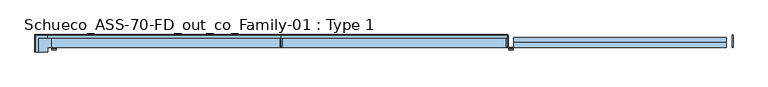
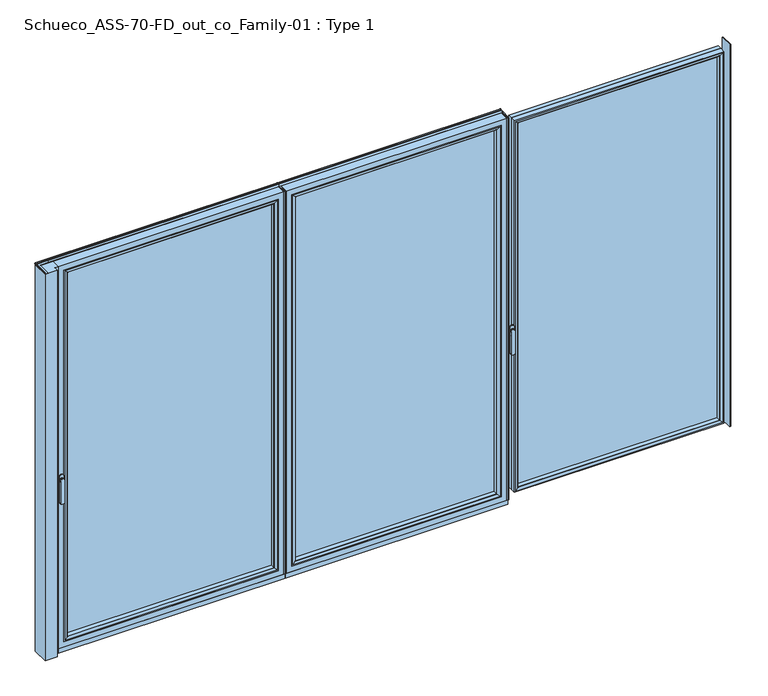
"""IFC4 building model written with IfcOpenShell, lengths in millimetres: window geometry, Schueco_ASS-70-FD_out_co_Family-01 : Type 1."""

from ifc_helpers import new_model, si_unit, point, frame, frame_2d, origin, place, context, project, spatial, polyline, circle_curve, ellipse_curve, trimmed, segment, composite_curve, outline, extrude, source, transform, mapped, element, save
from ifc_brep_helpers import plane_surface, cylinder_surface, extruded_surface, advanced_brep


def schueco_ass_70_fd_out_co_family_01_type_1_5ff1152d(model_context):
    return source(origin(), model_context, "Body", "SolidModel", [
        extrude(outline(polyline([(-618.7333333, 0.0), (-612.7333333, 0.0), (-612.7333333, -70.0), (-618.7333333, -70.0), (-618.7333333, 0.0)])), frame((0.0, 0.0, 36.0), z_axis=(0.0, 0.0, 1.0), x_axis=(1.0, 0.0, 0.0)), (0.0, 0.0, 1.0), 2301.0),
        extrude(outline(polyline([(650.0333333, 0.0), (650.0333333, -70.0), (644.0333333, -70.0), (644.0333333, 0.0), (650.0333333, 0.0)])), frame((0.0, 0.0, 36.0), z_axis=(0.0, 0.0, 1.0), x_axis=(1.0, 0.0, 0.0)), (0.0, 0.0, 1.0), 2301.0),
        extrude(outline(polyline([(-580.7333333, -13.999939), (612.0333333, -13.999939), (612.0333333, -37.9928974), (-580.7333333, -37.9928974), (-580.7333333, -13.999939)])), frame((0.0, 0.0, 68.0), z_axis=(0.0, 0.0, 1.0), x_axis=(1.0, 0.0, 0.0)), (0.0, 0.0, 1.0), 2237.0),
        advanced_brep(
        [(590.0337606, -64.5552044, 2283.0004272), (590.0337606, -37.9928974, 2283.0004272), (590.0337606, -37.9928974, 89.9995728), (590.0337606, -64.5552044, 89.9995728), (612.0333333, -37.9928974, 2305.0), (612.0333333, -37.9928974, 68.0), (-580.7333333, -37.9928974, 68.0), (-580.7333333, -37.9928974, 2305.0), (-558.7337606, -37.9928974, 2283.0004272), (-558.7337606, -37.9928974, 89.9995728), (-558.7337606, -64.5552044, 89.9995728), (590.743304, -65.8045072, 2283.7099707), (590.743304, -65.8045072, 89.2900293), (-559.443304, -65.8045072, 89.2900293), (606.0333944, -70.0, 2299.000061), (606.0333944, -70.0, 73.999939), (-574.7333944, -70.0, 73.999939), (-580.7333333, -70.0, 2305.0), (-580.7333333, -70.0, 68.0), (612.0333333, -70.0, 68.0), (612.0333333, -70.0, 2305.0), (-574.7333944, -70.0, 2299.000061), (-558.7337606, -64.5552044, 2283.0004272), (-559.443304, -65.8045072, 2283.7099707)],
        [
            (0, 1),
            (1, 2),
            (2, 3),
            (3, 0),
            (4, 5),
            (5, 6),
            (6, 7),
            (7, 4),
            (8, 9),
            (9, 2),
            (1, 8),
            (9, 10),
            (10, 3),
            (11, 0, ellipse_curve(frame((591.4883645, -64.5552044, 2284.4550312), z_axis=(0.7071067811865475, 0.0, -0.7071067811865475), x_axis=(0.7071067811865474, 0.0, 0.7071067811865476)), 2.0571207, 1.454604)),
            (3, 12, ellipse_curve(frame((591.4883645, -64.5552044, 88.5449688), z_axis=(0.7071067811865475, 0.0, 0.7071067811865475), x_axis=(-0.7071067811865474, 0.0, 0.7071067811865476)), 2.0571207, 1.454604)),
            (12, 11),
            (10, 13, ellipse_curve(frame((-560.1883645, -64.5552044, 88.5449688), z_axis=(0.7071067811865475, 0.0, -0.7071067811865475), x_axis=(0.7071067811865476, 0.0, 0.7071067811865474)), 2.0571207, 1.454604)),
            (13, 12),
            (14, 11, ellipse_curve(frame((605.9694588, -40.2735922, 2298.9361254), z_axis=(0.7071067811865475, 0.0, -0.7071067811865475), x_axis=(0.7071067811865474, 0.0, 0.7071067811865476)), 42.0395863, 29.7264765)),
            (12, 15, ellipse_curve(frame((605.9694588, -40.2735922, 74.0638746), z_axis=(0.7071067811865475, 0.0, 0.7071067811865475), x_axis=(-0.7071067811865474, 0.0, 0.7071067811865476)), 42.0395863, 29.7264765)),
            (15, 14),
            (13, 16, ellipse_curve(frame((-574.6694588, -40.2735922, 74.0638746), z_axis=(0.7071067811865475, 0.0, -0.7071067811865475), x_axis=(0.7071067811865476, 0.0, 0.7071067811865474)), 42.0395863, 29.7264765)),
            (16, 15),
            (17, 18),
            (18, 19),
            (19, 20),
            (20, 17),
            (16, 21),
            (21, 14),
            (4, 20),
            (19, 5),
            (18, 6),
            (8, 22),
            (22, 10),
            (22, 23, ellipse_curve(frame((-560.1883645, -64.5552044, 2284.4550312), z_axis=(-0.7071067811865475, 0.0, -0.7071067811865475), x_axis=(0.7071067811865474, 0.0, -0.7071067811865476)), 2.0571207, 1.454604)),
            (23, 13),
            (23, 21, ellipse_curve(frame((-574.6694588, -40.2735922, 2298.9361254), z_axis=(-0.7071067811865475, 0.0, -0.7071067811865475), x_axis=(0.7071067811865474, 0.0, -0.7071067811865476)), 42.0395863, 29.7264765)),
            (17, 7),
            (0, 22),
            (11, 23),
        ],
        [
            plane_surface(frame((590.0337606, -37.9928974, 2283.0004272), z_axis=(-1.0, 0.0, 0.0), x_axis=(0.0, 0.0, -1.0))),
            plane_surface(frame((-580.7333333, -37.9928974, 68.0), z_axis=(0.0, 1.0, 0.0), x_axis=(0.0, 0.0, 1.0))),
            plane_surface(frame((590.0337606, -37.9928974, 89.9995728), z_axis=(0.0, 0.0, 1.0), x_axis=(-1.0, 0.0, 0.0))),
            cylinder_surface(frame((591.4883645, -64.5552044, 2283.0004272), z_axis=(0.0, 0.0, 1.0), x_axis=(1.0, 0.0, 0.0)), 1.454604),
            cylinder_surface(frame((590.0337606, -64.5552044, 88.5449688), z_axis=(1.0, 0.0, 0.0), x_axis=(0.0, 0.0, -1.0)), 1.454604),
            cylinder_surface(frame((605.9694588, -40.2735922, 2283.0004272), z_axis=(0.0, 0.0, 1.0), x_axis=(1.0, 0.0, 0.0)), 29.7264765),
            cylinder_surface(frame((590.0337606, -40.2735922, 74.0638746), z_axis=(1.0, 0.0, 0.0), x_axis=(0.0, 0.0, -1.0)), 29.7264765),
            plane_surface(frame((-574.7333944, -70.0, 73.999939), z_axis=(0.0, -1.0, 0.0), x_axis=(0.0, 0.0, 1.0))),
            plane_surface(frame((612.0333333, -70.0, 2305.0), z_axis=(1.0, 0.0, 0.0), x_axis=(0.0, 0.0, -1.0))),
            plane_surface(frame((612.0333333, -70.0, 68.0), z_axis=(0.0, 0.0, -1.0), x_axis=(-1.0, 0.0, 0.0))),
            plane_surface(frame((-558.7337606, -37.9928974, 89.9995728), z_axis=(1.0, 0.0, 0.0), x_axis=(0.0, 0.0, 1.0))),
            cylinder_surface(frame((-560.1883645, -64.5552044, 89.9995728), z_axis=(0.0, 0.0, -1.0), x_axis=(-1.0, 0.0, 0.0)), 1.454604),
            cylinder_surface(frame((-574.6694588, -40.2735922, 89.9995728), z_axis=(0.0, 0.0, -1.0), x_axis=(-1.0, 0.0, 0.0)), 29.7264765),
            plane_surface(frame((-580.7333333, -70.0, 68.0), z_axis=(-1.0, 0.0, 0.0), x_axis=(0.0, 0.0, 1.0))),
            plane_surface(frame((-558.7337606, -37.9928974, 2283.0004272), z_axis=(0.0, 0.0, -1.0), x_axis=(1.0, 0.0, 0.0))),
            cylinder_surface(frame((-558.7337606, -64.5552044, 2284.4550312), z_axis=(-1.0, 0.0, 0.0), x_axis=(0.0, 0.0, 1.0)), 1.454604),
            cylinder_surface(frame((-558.7337606, -40.2735922, 2298.9361254), z_axis=(-1.0, 0.0, 0.0), x_axis=(0.0, 0.0, 1.0)), 29.7264765),
            plane_surface(frame((-580.7333333, -70.0, 2305.0), z_axis=(0.0, 0.0, 1.0), x_axis=(1.0, 0.0, 0.0))),
        ],
        [
            (0, [[1, 2, 3, 4]]),
            (1, [[5, 6, 7, 8], [9, 10, -2, 11]]),
            (2, [[-3, -10, 12, 13]]),
            (3, [[14, -4, 15, 16]]),
            (4, [[-15, -13, 17, 18]]),
            (5, [[19, -16, 20, 21]]),
            (6, [[-20, -18, 22, 23]]),
            (7, [[24, 25, 26, 27], [-21, -23, 28, 29]]),
            (8, [[30, -26, 31, -5]]),
            (9, [[-31, -25, 32, -6]]),
            (10, [[-12, -9, 33, 34]]),
            (11, [[-17, -34, 35, 36]]),
            (12, [[-22, -36, 37, -28]]),
            (13, [[-32, -24, 38, -7]]),
            (14, [[-33, -11, -1, 39]]),
            (15, [[-35, -39, -14, 40]]),
            (16, [[-37, -40, -19, -29]]),
            (17, [[-38, -27, -30, -8]]),
        ],
    ),
        advanced_brep(
        [(-612.7333333, -70.0, 2337.0), (-612.7333333, 0.0, 2337.0), (-612.7333333, 0.0, 36.0), (-612.7333333, -70.0, 36.0), (644.0333333, 0.0, 36.0), (644.0333333, -70.0, 36.0), (644.0333333, 0.0, 2337.0), (594.5341433, 0.0, 85.4991901), (594.5341433, 0.0, 2287.5008099), (-563.2341433, 0.0, 2287.5008099), (-563.2341433, 0.0, 85.4991901), (644.0333333, -70.0, 2337.0), (-580.7333333, -70.0, 68.0), (-580.7333333, -70.0, 2305.0), (612.0333333, -70.0, 2305.0), (612.0333333, -70.0, 68.0), (-580.7333333, -13.999939, 2305.0), (-580.7333333, -13.999939, 68.0), (612.0333333, -13.999939, 68.0), (612.0333333, -13.999939, 2305.0), (-558.7337606, -13.999939, 89.9995728), (-558.7337606, -13.999939, 2283.0004272), (590.0337606, -13.999939, 2283.0004272), (590.0337606, -13.999939, 89.9995728), (-558.7337606, -4.5004435, 2283.0004272), (-558.7337606, -4.5004435, 89.9995728), (590.0337606, -4.5004435, 89.9995728), (590.0337606, -4.5004435, 2283.0004272)],
        [
            (0, 1),
            (1, 2),
            (2, 3),
            (3, 0),
            (2, 4),
            (4, 5),
            (5, 3),
            (1, 6),
            (6, 4),
            (7, 8),
            (8, 9),
            (9, 10),
            (10, 7),
            (6, 11),
            (11, 5),
            (11, 0),
            (12, 13),
            (13, 14),
            (14, 15),
            (15, 12),
            (16, 13),
            (12, 17),
            (17, 16),
            (15, 18),
            (18, 17),
            (14, 19),
            (19, 18),
            (19, 16),
            (20, 21),
            (21, 22),
            (22, 23),
            (23, 20),
            (24, 21),
            (20, 25),
            (25, 24),
            (23, 26),
            (26, 25),
            (22, 27),
            (27, 26),
            (10, 25, ellipse_curve(frame((-563.2341433, -4.5004435, 85.4991901), z_axis=(0.7071067811865475, 0.0, -0.7071067811865475), x_axis=(-0.7071067811865476, 0.0, -0.7071067811865474)), 6.3645023, 4.5003827)),
            (26, 7, ellipse_curve(frame((594.5341433, -4.5004435, 85.4991901), z_axis=(-0.7071067811865475, 0.0, -0.7071067811865475), x_axis=(-0.7071067811865476, 0.0, 0.7071067811865474)), 6.3645023, 4.5003827)),
            (9, 24, ellipse_curve(frame((-563.2341433, -4.5004435, 2287.5008099), z_axis=(-0.7071067811865475, 0.0, -0.7071067811865475), x_axis=(-0.7071067811865474, 0.0, 0.7071067811865476)), 6.3645023, 4.5003827)),
            (27, 8, ellipse_curve(frame((594.5341433, -4.5004435, 2287.5008099), z_axis=(0.7071067811865475, 0.0, -0.7071067811865475), x_axis=(-0.7071067811865474, 0.0, -0.7071067811865476)), 6.3645023, 4.5003827)),
            (24, 27),
        ],
        [
            plane_surface(frame((-612.7333333, 0.0, 2337.0), z_axis=(-1.0, 0.0, 0.0), x_axis=(0.0, 0.0, -1.0))),
            plane_surface(frame((-612.7333333, 0.0, 36.0), z_axis=(0.0, 0.0, -1.0), x_axis=(1.0, 0.0, 0.0))),
            plane_surface(frame((-563.2341433, 0.0, 2287.5008099), z_axis=(0.0, 1.0, 0.0), x_axis=(0.0, 0.0, -1.0))),
            plane_surface(frame((644.0333333, 0.0, 36.0), z_axis=(1.0, 0.0, 0.0), x_axis=(0.0, 0.0, 1.0))),
            plane_surface(frame((-612.7333333, -70.0, 2337.0), z_axis=(0.0, -1.0, 0.0), x_axis=(0.0, 0.0, -1.0))),
            plane_surface(frame((-580.7333333, -70.0, 2305.0), z_axis=(1.0, 0.0, 0.0), x_axis=(0.0, 0.0, -1.0))),
            plane_surface(frame((-580.7333333, -70.0, 68.0), z_axis=(0.0, 0.0, 1.0), x_axis=(1.0, 0.0, 0.0))),
            plane_surface(frame((612.0333333, -70.0, 68.0), z_axis=(-1.0, 0.0, 0.0), x_axis=(0.0, 0.0, 1.0))),
            plane_surface(frame((-580.7333333, -13.999939, 2305.0), z_axis=(0.0, -1.0, 0.0), x_axis=(0.0, 0.0, -1.0))),
            plane_surface(frame((-558.7337606, -13.999939, 2283.0004272), z_axis=(1.0, 0.0, 0.0), x_axis=(0.0, 0.0, -1.0))),
            plane_surface(frame((-558.7337606, -13.999939, 89.9995728), z_axis=(0.0, 0.0, 1.0), x_axis=(1.0, 0.0, 0.0))),
            plane_surface(frame((590.0337606, -13.999939, 89.9995728), z_axis=(-1.0, 0.0, 0.0), x_axis=(0.0, 0.0, 1.0))),
            cylinder_surface(frame((-618.7333333, -4.5004435, 85.4991901), z_axis=(-1.0, 0.0, 0.0), x_axis=(0.0, -1.0, 0.0)), 4.5003827),
            cylinder_surface(frame((-563.2341433, -4.5004435, 2343.0), z_axis=(0.0, 0.0, 1.0), x_axis=(0.0, -1.0, 0.0)), 4.5003827),
            cylinder_surface(frame((594.5341433, -4.5004435, 30.0), z_axis=(0.0, 0.0, -1.0), x_axis=(0.0, -1.0, 0.0)), 4.5003827),
            plane_surface(frame((644.0333333, 0.0, 2337.0), z_axis=(0.0, 0.0, 1.0), x_axis=(-1.0, 0.0, 0.0))),
            plane_surface(frame((612.0333333, -70.0, 2305.0), z_axis=(0.0, 0.0, -1.0), x_axis=(-1.0, 0.0, 0.0))),
            plane_surface(frame((590.0337606, -13.999939, 2283.0004272), z_axis=(0.0, 0.0, -1.0), x_axis=(-1.0, 0.0, 0.0))),
            cylinder_surface(frame((650.0333333, -4.5004435, 2287.5008099), z_axis=(1.0, 0.0, 0.0), x_axis=(0.0, -1.0, 0.0)), 4.5003827),
        ],
        [
            (0, [[1, 2, 3, 4]]),
            (1, [[-3, 5, 6, 7]]),
            (2, [[-2, 8, 9, -5], [10, 11, 12, 13]]),
            (3, [[-6, -9, 14, 15]]),
            (4, [[-15, 16, -4, -7], [17, 18, 19, 20]]),
            (5, [[21, -17, 22, 23]]),
            (6, [[-22, -20, 24, 25]]),
            (7, [[-24, -19, 26, 27]]),
            (8, [[-27, 28, -23, -25], [29, 30, 31, 32]]),
            (9, [[33, -29, 34, 35]]),
            (10, [[-34, -32, 36, 37]]),
            (11, [[-36, -31, 38, 39]]),
            (12, [[40, -37, 41, -13]]),
            (13, [[42, -35, -40, -12]]),
            (14, [[-41, -39, 43, -10]]),
            (15, [[-14, -8, -1, -16]]),
            (16, [[-26, -18, -21, -28]]),
            (17, [[-38, -30, -33, 44]]),
            (18, [[-43, -44, -42, -11]]),
        ],
    ),
        extrude(outline(polyline([(-618.7333333, -7.6000076), (-618.7333333, 0.0), (650.0333333, 0.0), (650.0333333, -7.6000076), (-618.7333333, -7.6000076)])), frame((0.0, 0.0, 10.0), z_axis=(0.0, 0.0, 1.0), x_axis=(1.0, 0.0, 0.0)), (0.0, 0.0, 1.0), 26.0),
        extrude(outline(polyline([(-618.7333333, -70.0), (-618.7333333, -62.2757497), (650.0333333, -62.2757497), (650.0333333, -70.0), (-618.7333333, -70.0)])), frame((0.0, 0.0, 10.0), z_axis=(0.0, 0.0, 1.0), x_axis=(1.0, 0.0, 0.0)), (0.0, 0.0, 1.0), 26.0),
        extrude(outline(composite_curve([segment(polyline([(-17.955674, 2339.1400778), (-1.3636404, 2339.1400778), (0.0, 2342.963961), (0.0, 2348.6420698), (0.8937897, 2348.6420698), (1.8738669, 2344.9939222)]), True, "CONTINUOUS"), segment(trimmed(circle_curve(frame_2d((-0.0576456, 2344.4750201)), 2.0), [point((1.8738669, 2344.9939222))], [point((1.8735116, 2343.9547971))], False, "CARTESIAN"), True, "CONTINUOUS"), segment(polyline([(1.8735116, 2343.9547971), (0.0, 2337.0), (-17.955674, 2337.0), (-17.955674, 2339.1400778)]), True, "CONTINUOUS")], self_intersect=False)), frame((-618.7333333, 0.0, 0.0), z_axis=(1.0, 0.0, 0.0), x_axis=(0.0, 1.0, 0.0)), (0.0, 0.0, 1.0), 1268.7666667),
        advanced_brep(
        [(-1882.0113692, -73.5, 1050.0), (-1905.9886308, -73.5, 1050.0), (-1882.0113692, -76.8965533, 1050.0), (-1905.9886308, -76.8965533, 1050.0), (-1882.0113692, -84.5, 1050.0), (-1905.9886308, -84.5, 1050.0), (-1905.9886308, -84.5, 918.6867153), (-1882.0113692, -84.5, 918.6867153), (-1882.0113692, -76.8965533, 918.6867153), (-1905.9886308, -76.8965533, 918.6867153)],
        [
            (0, 1, circle_curve(frame((-1894.0, -73.5, 1050.0), z_axis=(0.0, 1.0, 0.0), x_axis=(-1.0, 0.0, 0.0)), 11.9886308)),
            (1, 0, circle_curve(frame((-1894.0, -73.5, 1050.0), z_axis=(0.0, 1.0, 0.0), x_axis=(-1.0, 0.0, 0.0)), 11.9886308)),
            (0, 2),
            (2, 3, circle_curve(frame((-1894.0, -76.8965533, 1050.0), z_axis=(0.0, 1.0, 0.0), x_axis=(-1.0, 0.0, 0.0)), 11.9886308)),
            (3, 1),
            (3, 2, circle_curve(frame((-1894.0, -76.8965533, 1050.0), z_axis=(0.0, 1.0, 0.0), x_axis=(-1.0, 0.0, 0.0)), 11.9886308)),
            (4, 5, circle_curve(frame((-1894.0, -84.5, 1050.0), z_axis=(0.0, -1.0, 0.0), x_axis=(-1.0, 0.0, 0.0)), 11.9886308)),
            (5, 6),
            (6, 7, ellipse_curve(frame((-1894.0, -84.5, 918.6867153), z_axis=(0.0, -1.0, 0.0), x_axis=(1.0, 0.0, 0.0)), 11.9886308, 7.9050795)),
            (7, 4),
            (2, 8),
            (8, 9, ellipse_curve(frame((-1894.0, -76.8965533, 918.6867153), z_axis=(0.0, 1.0, 0.0), x_axis=(1.0, 0.0, 0.0)), 11.9886308, 7.9050795)),
            (9, 3),
            (7, 8),
            (2, 4),
            (6, 9),
            (5, 3),
        ],
        [
            plane_surface(frame((-1905.9886308, -73.5, 1050.0), z_axis=(0.0, 1.0, 0.0), x_axis=(0.0, 0.0, -1.0))),
            cylinder_surface(frame((-1894.0, -73.5, 1050.0), z_axis=(0.0, -1.0, 0.0), x_axis=(-1.0, 0.0, 0.0)), 11.9886308),
            plane_surface(frame((-1882.0113692, -84.5, 928.3382074), z_axis=(0.0, -1.0, 0.0), x_axis=(0.0, 0.0, -1.0))),
            plane_surface(frame((-1882.0113692, -76.8965533, 928.3382074), z_axis=(0.0, 1.0, 0.0), x_axis=(0.0, 0.0, 1.0))),
            plane_surface(frame((-1882.0113692, -84.5, 1050.0), z_axis=(1.0, 0.0, 0.0), x_axis=(0.0, 1.0, 0.0))),
            extruded_surface(trimmed(ellipse_curve(frame((-1894.0, -76.8965533, 918.6867153), z_axis=(0.0, 1.0, 0.0), x_axis=(1.0, 0.0, 0.0)), 11.9886308, 7.9050795), [point((-1882.0113692, -76.8965533, 918.6867153))], [point((-1905.9886308, -76.8965533, 918.6867153))], True, "CARTESIAN"), (0.0, 7.603446699999992, 0.0), 7.603446699999992),
            plane_surface(frame((-1905.9886308, -84.5, 918.6867153), z_axis=(-1.0, 0.0, 0.0), x_axis=(0.0, 1.0, 0.0))),
            cylinder_surface(frame((-1894.0, -76.8965533, 1050.0), z_axis=(0.0, -1.0, 0.0), x_axis=(-1.0, 0.0, 0.0)), 11.9886308),
        ],
        [
            (0, [[1, 2]]),
            (1, [[3, 4, 5, -1]]),
            (1, [[-5, 6, -3, -2]]),
            (2, [[7, 8, 9, 10]]),
            (3, [[-4, 11, 12, 13]]),
            (4, [[14, -11, 15, -10]]),
            (5, [[16, -12, -14, -9]]),
            (6, [[17, -13, -16, -8]]),
            (7, [[-15, -6, -17, -7]]),
        ],
    ),
        extrude(outline(composite_curve([segment(trimmed(circle_curve(frame_2d((1068.75, -1894.0)), 14.0), [point((1068.75, -1880.0))], [point((1068.75, -1908.0))], False, "CARTESIAN"), True, "CONTINUOUS"), segment(polyline([(1068.75, -1908.0), (1031.25, -1908.0)]), True, "CONTINUOUS"), segment(trimmed(circle_curve(frame_2d((1031.25, -1894.0)), 14.0), [point((1031.25, -1908.0))], [point((1031.25, -1880.0))], False, "CARTESIAN"), True, "CONTINUOUS"), segment(polyline([(1031.25, -1880.0), (1068.75, -1880.0)]), True, "CONTINUOUS")], self_intersect=False)), frame((0.0, -73.5, 0.0), z_axis=(0.0, 1.0, 0.0), x_axis=(0.0, 0.0, 1.0)), (0.0, 0.0, 1.0), 3.5),
        extrude(outline(polyline([(-2000.0003662, 0.0), (-1910.0003662, 0.0), (-1910.0003662, -70.0), (-1930.0003662, -70.0), (-1930.0003662, -95.0), (-2000.0003662, -95.0), (-2000.0003662, 0.0)])), frame((0.0, 0.0, 10.0), z_axis=(0.0, 0.0, 1.0), x_axis=(1.0, 0.0, 0.0)), (0.0, 0.0, 1.0), 2327.0),
        extrude(outline(polyline([(-618.7333333, 0.0), (-618.7333333, -70.0), (-624.7333333, -70.0), (-624.7333333, 0.0), (-618.7333333, 0.0)])), frame((0.0, 0.0, 36.0), z_axis=(0.0, 0.0, 1.0), x_axis=(1.0, 0.0, 0.0)), (0.0, 0.0, 1.0), 2301.0),
        extrude(outline(polyline([(-656.7333333, -13.999939), (-656.7333333, -37.9928974), (-1878.0, -37.9928974), (-1878.0, -13.999939), (-656.7333333, -13.999939)])), frame((0.0, 0.0, 68.0), z_axis=(0.0, 0.0, 1.0), x_axis=(1.0, 0.0, 0.0)), (0.0, 0.0, 1.0), 2237.0),
        advanced_brep(
        [(-1856.0004272, -64.5552044, 2283.0004272), (-1856.0004272, -64.5552044, 89.9995728), (-1856.0004272, -37.9928974, 89.9995728), (-1856.0004272, -37.9928974, 2283.0004272), (-1878.0, -37.9928974, 2305.0), (-656.7333333, -37.9928974, 2305.0), (-656.7333333, -37.9928974, 68.0), (-1878.0, -37.9928974, 68.0), (-678.7329061, -37.9928974, 2283.0004272), (-678.7329061, -37.9928974, 89.9995728), (-678.7329061, -64.5552044, 89.9995728), (-1856.7099707, -65.8045072, 2283.7099707), (-1856.7099707, -65.8045072, 89.2900293), (-678.0233627, -65.8045072, 89.2900293), (-1872.000061, -70.0, 2299.000061), (-1872.000061, -70.0, 73.999939), (-662.7332723, -70.0, 73.999939), (-656.7333333, -70.0, 2305.0), (-1878.0, -70.0, 2305.0), (-1878.0, -70.0, 68.0), (-656.7333333, -70.0, 68.0), (-662.7332723, -70.0, 2299.000061), (-678.7329061, -64.5552044, 2283.0004272), (-678.0233627, -65.8045072, 2283.7099707)],
        [
            (0, 1),
            (1, 2),
            (2, 3),
            (3, 0),
            (4, 5),
            (5, 6),
            (6, 7),
            (7, 4),
            (8, 3),
            (2, 9),
            (9, 8),
            (1, 10),
            (10, 9),
            (11, 12),
            (12, 1, ellipse_curve(frame((-1857.4550312, -64.5552044, 88.5449688), z_axis=(-0.7071067811865475, 0.0, 0.7071067811865475), x_axis=(0.7071067811865474, 0.0, 0.7071067811865476)), 2.0571207, 1.454604)),
            (0, 11, ellipse_curve(frame((-1857.4550312, -64.5552044, 2284.4550312), z_axis=(-0.7071067811865475, 0.0, -0.7071067811865475), x_axis=(-0.7071067811865474, 0.0, 0.7071067811865476)), 2.0571207, 1.454604)),
            (12, 13),
            (13, 10, ellipse_curve(frame((-677.2783021, -64.5552044, 88.5449688), z_axis=(-0.7071067811865475, 0.0, -0.7071067811865475), x_axis=(-0.7071067811865476, 0.0, 0.7071067811865474)), 2.0571207, 1.454604)),
            (14, 15),
            (15, 12, ellipse_curve(frame((-1871.9361254, -40.2735922, 74.0638746), z_axis=(-0.7071067811865475, 0.0, 0.7071067811865475), x_axis=(0.7071067811865474, 0.0, 0.7071067811865476)), 42.0395863, 29.7264765)),
            (11, 14, ellipse_curve(frame((-1871.9361254, -40.2735922, 2298.9361254), z_axis=(-0.7071067811865475, 0.0, -0.7071067811865475), x_axis=(-0.7071067811865474, 0.0, 0.7071067811865476)), 42.0395863, 29.7264765)),
            (15, 16),
            (16, 13, ellipse_curve(frame((-662.7972079, -40.2735922, 74.0638746), z_axis=(-0.7071067811865475, 0.0, -0.7071067811865475), x_axis=(-0.7071067811865476, 0.0, 0.7071067811865474)), 42.0395863, 29.7264765)),
            (17, 18),
            (18, 19),
            (19, 20),
            (20, 17),
            (14, 21),
            (21, 16),
            (7, 19),
            (18, 4),
            (6, 20),
            (10, 22),
            (22, 8),
            (13, 23),
            (23, 22, ellipse_curve(frame((-677.2783021, -64.5552044, 2284.4550312), z_axis=(0.7071067811865475, 0.0, -0.7071067811865475), x_axis=(-0.7071067811865474, 0.0, -0.7071067811865476)), 2.0571207, 1.454604)),
            (21, 23, ellipse_curve(frame((-662.7972079, -40.2735922, 2298.9361254), z_axis=(0.7071067811865475, 0.0, -0.7071067811865475), x_axis=(-0.7071067811865474, 0.0, -0.7071067811865476)), 42.0395863, 29.7264765)),
            (5, 17),
            (22, 0),
            (23, 11),
        ],
        [
            plane_surface(frame((-1856.0004272, -37.9928974, 2283.0004272), z_axis=(1.0, 0.0, 0.0), x_axis=(0.0, 0.0, -1.0))),
            plane_surface(frame((-656.7333333, -37.9928974, 68.0), z_axis=(0.0, 1.0, 0.0), x_axis=(0.0, 0.0, 1.0))),
            plane_surface(frame((-1856.0004272, -37.9928974, 89.9995728), z_axis=(0.0, 0.0, 1.0), x_axis=(1.0, 0.0, 0.0))),
            cylinder_surface(frame((-1857.4550312, -64.5552044, 2283.0004272), z_axis=(0.0, 0.0, 1.0), x_axis=(-1.0, 0.0, 0.0)), 1.454604),
            cylinder_surface(frame((-1856.0004272, -64.5552044, 88.5449688), z_axis=(-1.0, 0.0, 0.0), x_axis=(0.0, 0.0, -1.0)), 1.454604),
            cylinder_surface(frame((-1871.9361254, -40.2735922, 2283.0004272), z_axis=(0.0, 0.0, 1.0), x_axis=(-1.0, 0.0, 0.0)), 29.7264765),
            cylinder_surface(frame((-1856.0004272, -40.2735922, 74.0638746), z_axis=(-1.0, 0.0, 0.0), x_axis=(0.0, 0.0, -1.0)), 29.7264765),
            plane_surface(frame((-662.7332723, -70.0, 73.999939), z_axis=(0.0, -1.0, 0.0), x_axis=(0.0, 0.0, 1.0))),
            plane_surface(frame((-1878.0, -70.0, 2305.0), z_axis=(-1.0, 0.0, 0.0), x_axis=(0.0, 0.0, -1.0))),
            plane_surface(frame((-1878.0, -70.0, 68.0), z_axis=(0.0, 0.0, -1.0), x_axis=(1.0, 0.0, 0.0))),
            plane_surface(frame((-678.7329061, -37.9928974, 89.9995728), z_axis=(-1.0, 0.0, 0.0), x_axis=(0.0, 0.0, 1.0))),
            cylinder_surface(frame((-677.2783021, -64.5552044, 89.9995728), z_axis=(0.0, 0.0, -1.0), x_axis=(1.0, 0.0, 0.0)), 1.454604),
            cylinder_surface(frame((-662.7972079, -40.2735922, 89.9995728), z_axis=(0.0, 0.0, -1.0), x_axis=(1.0, 0.0, 0.0)), 29.7264765),
            plane_surface(frame((-656.7333333, -70.0, 68.0), z_axis=(1.0, 0.0, 0.0), x_axis=(0.0, 0.0, 1.0))),
            plane_surface(frame((-678.7329061, -37.9928974, 2283.0004272), z_axis=(0.0, 0.0, -1.0), x_axis=(-1.0, 0.0, 0.0))),
            cylinder_surface(frame((-678.7329061, -64.5552044, 2284.4550312), z_axis=(1.0, 0.0, 0.0), x_axis=(0.0, 0.0, 1.0)), 1.454604),
            cylinder_surface(frame((-678.7329061, -40.2735922, 2298.9361254), z_axis=(1.0, 0.0, 0.0), x_axis=(0.0, 0.0, 1.0)), 29.7264765),
            plane_surface(frame((-656.7333333, -70.0, 2305.0), z_axis=(0.0, 0.0, 1.0), x_axis=(-1.0, 0.0, 0.0))),
        ],
        [
            (0, [[1, 2, 3, 4]]),
            (1, [[5, 6, 7, 8], [9, -3, 10, 11]]),
            (2, [[12, 13, -10, -2]]),
            (3, [[14, 15, -1, 16]]),
            (4, [[17, 18, -12, -15]]),
            (5, [[19, 20, -14, 21]]),
            (6, [[22, 23, -17, -20]]),
            (7, [[24, 25, 26, 27], [28, 29, -22, -19]]),
            (8, [[-8, 30, -25, 31]]),
            (9, [[-7, 32, -26, -30]]),
            (10, [[33, 34, -11, -13]]),
            (11, [[35, 36, -33, -18]]),
            (12, [[-29, 37, -35, -23]]),
            (13, [[-6, 38, -27, -32]]),
            (14, [[39, -4, -9, -34]]),
            (15, [[40, -16, -39, -36]]),
            (16, [[-28, -21, -40, -37]]),
            (17, [[-5, -31, -24, -38]]),
        ],
    ),
        advanced_brep(
        [(-624.7333333, -70.0, 2337.0), (-624.7333333, -70.0, 36.0), (-624.7333333, 0.0, 36.0), (-624.7333333, 0.0, 2337.0), (-1910.0, -70.0, 36.0), (-1910.0, 0.0, 36.0), (-1910.0, 0.0, 2337.0), (-1860.5008099, 0.0, 85.4991901), (-674.2325234, 0.0, 85.4991901), (-674.2325234, 0.0, 2287.5008099), (-1860.5008099, 0.0, 2287.5008099), (-1910.0, -70.0, 2337.0), (-656.7333333, -70.0, 68.0), (-1878.0, -70.0, 68.0), (-1878.0, -70.0, 2305.0), (-656.7333333, -70.0, 2305.0), (-656.7333333, -13.999939, 2305.0), (-656.7333333, -13.999939, 68.0), (-1878.0, -13.999939, 68.0), (-1878.0, -13.999939, 2305.0), (-678.7329061, -13.999939, 89.9995728), (-1856.0004272, -13.999939, 89.9995728), (-1856.0004272, -13.999939, 2283.0004272), (-678.7329061, -13.999939, 2283.0004272), (-678.7329061, -4.5004435, 2283.0004272), (-678.7329061, -4.5004435, 89.9995728), (-1856.0004272, -4.5004435, 89.9995728), (-1856.0004272, -4.5004435, 2283.0004272)],
        [
            (0, 1),
            (1, 2),
            (2, 3),
            (3, 0),
            (1, 4),
            (4, 5),
            (5, 2),
            (5, 6),
            (6, 3),
            (7, 8),
            (8, 9),
            (9, 10),
            (10, 7),
            (4, 11),
            (11, 6),
            (0, 11),
            (12, 13),
            (13, 14),
            (14, 15),
            (15, 12),
            (16, 17),
            (17, 12),
            (15, 16),
            (17, 18),
            (18, 13),
            (18, 19),
            (19, 14),
            (16, 19),
            (20, 21),
            (21, 22),
            (22, 23),
            (23, 20),
            (24, 25),
            (25, 20),
            (23, 24),
            (25, 26),
            (26, 21),
            (26, 27),
            (27, 22),
            (7, 26, ellipse_curve(frame((-1860.5008099, -4.5004435, 85.4991901), z_axis=(0.7071067811865475, 0.0, -0.7071067811865475), x_axis=(0.7071067811865476, 0.0, 0.7071067811865474)), 6.3645023, 4.5003827)),
            (25, 8, ellipse_curve(frame((-674.2325234, -4.5004435, 85.4991901), z_axis=(-0.7071067811865475, 0.0, -0.7071067811865475), x_axis=(0.7071067811865476, 0.0, -0.7071067811865474)), 6.3645023, 4.5003827)),
            (24, 9, ellipse_curve(frame((-674.2325234, -4.5004435, 2287.5008099), z_axis=(0.7071067811865475, 0.0, -0.7071067811865475), x_axis=(0.7071067811865474, 0.0, 0.7071067811865476)), 6.3645023, 4.5003827)),
            (10, 27, ellipse_curve(frame((-1860.5008099, -4.5004435, 2287.5008099), z_axis=(-0.7071067811865475, 0.0, -0.7071067811865475), x_axis=(0.7071067811865474, 0.0, -0.7071067811865476)), 6.3645023, 4.5003827)),
            (27, 24),
        ],
        [
            plane_surface(frame((-624.7333333, 0.0, 2337.0), z_axis=(1.0, 0.0, 0.0), x_axis=(0.0, 0.0, -1.0))),
            plane_surface(frame((-624.7333333, 0.0, 36.0), z_axis=(0.0, 0.0, -1.0), x_axis=(-1.0, 0.0, 0.0))),
            plane_surface(frame((-674.2325234, 0.0, 2287.5008099), z_axis=(0.0, 1.0, 0.0), x_axis=(0.0, 0.0, -1.0))),
            plane_surface(frame((-1910.0, 0.0, 36.0), z_axis=(-1.0, 0.0, 0.0), x_axis=(0.0, 0.0, 1.0))),
            plane_surface(frame((-624.7333333, -70.0, 2337.0), z_axis=(0.0, -1.0, 0.0), x_axis=(0.0, 0.0, -1.0))),
            plane_surface(frame((-656.7333333, -70.0, 2305.0), z_axis=(-1.0, 0.0, 0.0), x_axis=(0.0, 0.0, -1.0))),
            plane_surface(frame((-656.7333333, -70.0, 68.0), z_axis=(0.0, 0.0, 1.0), x_axis=(-1.0, 0.0, 0.0))),
            plane_surface(frame((-1878.0, -70.0, 68.0), z_axis=(1.0, 0.0, 0.0), x_axis=(0.0, 0.0, 1.0))),
            plane_surface(frame((-656.7333333, -13.999939, 2305.0), z_axis=(0.0, -1.0, 0.0), x_axis=(0.0, 0.0, -1.0))),
            plane_surface(frame((-678.7329061, -13.999939, 2283.0004272), z_axis=(-1.0, 0.0, 0.0), x_axis=(0.0, 0.0, -1.0))),
            plane_surface(frame((-678.7329061, -13.999939, 89.9995728), z_axis=(0.0, 0.0, 1.0), x_axis=(-1.0, 0.0, 0.0))),
            plane_surface(frame((-1856.0004272, -13.999939, 89.9995728), z_axis=(1.0, 0.0, 0.0), x_axis=(0.0, 0.0, 1.0))),
            cylinder_surface(frame((-618.7333333, -4.5004435, 85.4991901), z_axis=(1.0, 0.0, 0.0), x_axis=(0.0, -1.0, 0.0)), 4.5003827),
            cylinder_surface(frame((-674.2325234, -4.5004435, 2343.0), z_axis=(0.0, 0.0, 1.0), x_axis=(0.0, -1.0, 0.0)), 4.5003827),
            cylinder_surface(frame((-1860.5008099, -4.5004435, 30.0), z_axis=(0.0, 0.0, -1.0), x_axis=(0.0, -1.0, 0.0)), 4.5003827),
            plane_surface(frame((-1910.0, 0.0, 2337.0), z_axis=(0.0, 0.0, 1.0), x_axis=(1.0, 0.0, 0.0))),
            plane_surface(frame((-1878.0, -70.0, 2305.0), z_axis=(0.0, 0.0, -1.0), x_axis=(1.0, 0.0, 0.0))),
            plane_surface(frame((-1856.0004272, -13.999939, 2283.0004272), z_axis=(0.0, 0.0, -1.0), x_axis=(1.0, 0.0, 0.0))),
            cylinder_surface(frame((-1916.0, -4.5004435, 2287.5008099), z_axis=(-1.0, 0.0, 0.0), x_axis=(0.0, -1.0, 0.0)), 4.5003827),
        ],
        [
            (0, [[1, 2, 3, 4]]),
            (1, [[5, 6, 7, -2]]),
            (2, [[-7, 8, 9, -3], [10, 11, 12, 13]]),
            (3, [[14, 15, -8, -6]]),
            (4, [[-5, -1, 16, -14], [17, 18, 19, 20]]),
            (5, [[21, 22, -20, 23]]),
            (6, [[24, 25, -17, -22]]),
            (7, [[26, 27, -18, -25]]),
            (8, [[-24, -21, 28, -26], [29, 30, 31, 32]]),
            (9, [[33, 34, -32, 35]]),
            (10, [[36, 37, -29, -34]]),
            (11, [[38, 39, -30, -37]]),
            (12, [[-10, 40, -36, 41]]),
            (13, [[-11, -41, -33, 42]]),
            (14, [[-13, 43, -38, -40]]),
            (15, [[-16, -4, -9, -15]]),
            (16, [[-28, -23, -19, -27]]),
            (17, [[44, -35, -31, -39]]),
            (18, [[-12, -42, -44, -43]]),
        ],
    ),
        advanced_brep(
        [(-2000.8941559, -95.0, 2348.6420698), (-2001.8742332, -95.0, 2344.9939222), (-2001.8738778, -95.0, 2343.9547971), (-2000.0003662, -95.0, 2337.0), (-1982.0446922, -95.0, 2337.0), (-1982.0446922, -95.0, 2339.1400778), (-1998.6367258, -95.0, 2339.1400778), (-2000.0003662, -95.0, 2342.963961), (-2000.0003662, -95.0, 2348.6420698), (-2000.0003662, 0.0, 2348.6420698), (-1933.5, 0.0, 2348.6420698), (-1933.5, 0.8937897, 2348.6420698), (-2000.8941559, 0.8937897, 2348.6420698), (-2000.0003662, 0.0, 2342.963961), (-1998.6367258, -1.3636404, 2339.1400778), (-1982.0446922, -17.955674, 2339.1400778), (-1933.5, -17.955674, 2339.1400778), (-1933.5, -1.3636404, 2339.1400778), (-1982.0446922, -17.955674, 2337.0), (-2000.0003662, 0.0, 2337.0), (-1933.5, 0.0, 2337.0), (-1933.5, -17.955674, 2337.0), (-2001.8738778, 1.8735116, 2343.9547971), (-2001.8742332, 1.8738669, 2344.9939222), (-1933.5, 0.0, 2342.963961), (-1933.5, 1.8735116, 2343.9547971), (-1933.5, 1.8738669, 2344.9939222)],
        [
            (0, 1),
            (1, 2, circle_curve(frame((-1999.9427206, -95.0, 2344.4750201), z_axis=(0.0, -1.0, 0.0), x_axis=(1.0, 0.0, 0.0)), 2.0)),
            (2, 3),
            (3, 4),
            (4, 5),
            (5, 6),
            (6, 7),
            (7, 8),
            (8, 0),
            (8, 9),
            (9, 10),
            (10, 11),
            (11, 12),
            (12, 0),
            (7, 13),
            (13, 9),
            (6, 14),
            (14, 13),
            (5, 15),
            (15, 16),
            (16, 17),
            (17, 14),
            (4, 18),
            (18, 15),
            (3, 19),
            (19, 20),
            (20, 21),
            (21, 18),
            (2, 22),
            (22, 19),
            (1, 23),
            (23, 22, ellipse_curve(frame((-1999.9427206, -0.0576456, 2344.4750201), z_axis=(-0.7071067811865439, -0.7071067811865511, 0.0), x_axis=(0.7071067811865511, -0.7071067811865438, 0.0)), 2.8284271, 2.0)),
            (12, 23),
            (10, 24),
            (24, 17),
            (16, 21),
            (20, 25),
            (25, 26, circle_curve(frame((-1933.5, -0.0576456, 2344.4750201), z_axis=(1.0, 0.0, 0.0), x_axis=(0.0, -1.0, 0.0)), 2.0)),
            (26, 11),
            (13, 24),
            (22, 25),
            (23, 26),
        ],
        [
            plane_surface(frame((-2000.0003662, -95.0, 2337.0), z_axis=(0.0, -1.0, 0.0), x_axis=(0.0, 0.0, 1.0))),
            plane_surface(frame((-2000.8941559, -95.0, 2348.6420698), z_axis=(0.0, 0.0, 1.0), x_axis=(0.0, 1.0, 0.0))),
            plane_surface(frame((-2000.0003662, -95.0, 2348.6420698), z_axis=(1.0, 0.0, 0.0), x_axis=(0.0, 1.0, 0.0))),
            plane_surface(frame((-2000.0003662, -95.0, 2342.963961), z_axis=(0.941900360057952, 0.0, 0.3358924109334721), x_axis=(0.0, 1.0, 0.0))),
            plane_surface(frame((-1998.6367258, -95.0, 2339.1400778), z_axis=(0.0, 0.0, 1.0), x_axis=(0.0, 1.0, 0.0))),
            plane_surface(frame((-1982.0446922, -95.0, 2339.1400778), z_axis=(1.0, 0.0, 0.0), x_axis=(0.0, 1.0, 0.0))),
            plane_surface(frame((-1982.0446922, -95.0, 2337.0), z_axis=(0.0, 0.0, -1.0), x_axis=(0.0, 1.0, 0.0))),
            plane_surface(frame((-2000.0003662, -95.0, 2337.0), z_axis=(-0.9655785873590791, 0.0, -0.2601114984648802), x_axis=(0.0, 1.0, 0.0))),
            cylinder_surface(frame((-1999.9427206, -95.0, 2344.4750201), z_axis=(0.0, -1.0, 0.0), x_axis=(1.0, 0.0, 0.0)), 2.0),
            plane_surface(frame((-2001.8742332, -95.0, 2344.9939222), z_axis=(-0.9657562562704528, 0.0, 0.2594510618102759), x_axis=(0.0, 1.0, 0.0))),
            plane_surface(frame((-1933.5, 0.0, 2337.0), z_axis=(1.0, 0.0, 0.0), x_axis=(0.0, 0.0, 1.0))),
            plane_surface(frame((-2000.0003662, 0.0, 2348.6420698), z_axis=(0.0, -1.0, 0.0), x_axis=(1.0, 0.0, 0.0))),
            plane_surface(frame((-2000.0003662, 0.0, 2342.963961), z_axis=(0.0, -0.941900360057952, 0.3358924109334721), x_axis=(1.0, 0.0, 0.0))),
            plane_surface(frame((-1982.0446922, -17.955674, 2339.1400778), z_axis=(0.0, -1.0, 0.0), x_axis=(1.0, 0.0, 0.0))),
            plane_surface(frame((-2000.0003662, 0.0, 2337.0), z_axis=(0.0, 0.9655785873590791, -0.2601114984648802), x_axis=(1.0, 0.0, 0.0))),
            cylinder_surface(frame((-2000.0003662, -0.0576456, 2344.4750201), z_axis=(-1.0, 0.0, 0.0), x_axis=(0.0, -1.0, 0.0)), 2.0),
            plane_surface(frame((-2001.8742332, 1.8738669, 2344.9939222), z_axis=(0.0, 0.9657562562704528, 0.2594510618102759), x_axis=(1.0, 0.0, 0.0))),
        ],
        [
            (0, [[1, 2, 3, 4, 5, 6, 7, 8, 9]]),
            (1, [[10, 11, 12, 13, 14, -9]]),
            (2, [[15, 16, -10, -8]]),
            (3, [[17, 18, -15, -7]]),
            (4, [[19, 20, 21, 22, -17, -6]]),
            (5, [[23, 24, -19, -5]]),
            (6, [[25, 26, 27, 28, -23, -4]]),
            (7, [[29, 30, -25, -3]]),
            (8, [[31, 32, -29, -2]]),
            (9, [[-14, 33, -31, -1]]),
            (10, [[-12, 34, 35, -21, 36, -27, 37, 38, 39]]),
            (11, [[40, -34, -11, -16]]),
            (12, [[-22, -35, -40, -18]]),
            (13, [[-28, -36, -20, -24]]),
            (14, [[41, -37, -26, -30]]),
            (15, [[42, -38, -41, -32]]),
            (16, [[-13, -39, -42, -33]]),
        ],
    ),
        extrude(outline(composite_curve([segment(polyline([(-17.955674, 2339.1400778), (-1.3636404, 2339.1400778), (0.0, 2342.963961), (0.0, 2348.6420698), (0.8937897, 2348.6420698), (1.8738669, 2344.9939222)]), True, "CONTINUOUS"), segment(trimmed(circle_curve(frame_2d((-0.0576456, 2344.4750201)), 2.0), [point((1.8738669, 2344.9939222))], [point((1.8735116, 2343.9547971))], False, "CARTESIAN"), True, "CONTINUOUS"), segment(polyline([(1.8735116, 2343.9547971), (0.0, 2337.0), (-17.955674, 2337.0), (-17.955674, 2339.1400778)]), True, "CONTINUOUS")], self_intersect=False)), frame((-1933.5, 0.0, 0.0), z_axis=(1.0, 0.0, 0.0), x_axis=(0.0, 1.0, 0.0)), (0.0, 0.0, 1.0), 1314.7666667),
        extrude(outline(polyline([(-618.7333333, -7.6000076), (-1910.0, -7.6000076), (-1910.0, 0.0), (-618.7333333, 0.0), (-618.7333333, -7.6000076)])), frame((0.0, 0.0, 10.0), z_axis=(0.0, 0.0, 1.0), x_axis=(1.0, 0.0, 0.0)), (0.0, 0.0, 1.0), 26.0),
        extrude(outline(polyline([(-618.7333333, -70.0), (-1910.0, -70.0), (-1910.0, -62.2757497), (-618.7333333, -62.2757497), (-618.7333333, -70.0)])), frame((0.0, 0.0, 10.0), z_axis=(0.0, 0.0, 1.0), x_axis=(1.0, 0.0, 0.0)), (0.0, 0.0, 1.0), 26.0),
        advanced_brep(
        [(684.0219641, -73.5, 1050.0), (660.0447025, -73.5, 1050.0), (684.0219641, -76.8965533, 1050.0), (660.0447025, -76.8965533, 1050.0), (684.0219641, -84.5, 1050.0), (660.0447025, -84.5, 1050.0), (660.0447025, -84.5, 918.6867153), (684.0219641, -84.5, 918.6867153), (684.0219641, -76.8965533, 918.6867153), (660.0447025, -76.8965533, 918.6867153)],
        [
            (0, 1, circle_curve(frame((672.0333333, -73.5, 1050.0), z_axis=(0.0, 1.0, 0.0), x_axis=(-1.0, 0.0, 0.0)), 11.9886308)),
            (1, 0, circle_curve(frame((672.0333333, -73.5, 1050.0), z_axis=(0.0, 1.0, 0.0), x_axis=(-1.0, 0.0, 0.0)), 11.9886308)),
            (0, 2),
            (2, 3, circle_curve(frame((672.0333333, -76.8965533, 1050.0), z_axis=(0.0, 1.0, 0.0), x_axis=(-1.0, 0.0, 0.0)), 11.9886308)),
            (3, 1),
            (3, 2, circle_curve(frame((672.0333333, -76.8965533, 1050.0), z_axis=(0.0, 1.0, 0.0), x_axis=(-1.0, 0.0, 0.0)), 11.9886308)),
            (4, 5, circle_curve(frame((672.0333333, -84.5, 1050.0), z_axis=(0.0, -1.0, 0.0), x_axis=(-1.0, 0.0, 0.0)), 11.9886308)),
            (5, 6),
            (6, 7, ellipse_curve(frame((672.0333333, -84.5, 918.6867153), z_axis=(0.0, -1.0, 0.0), x_axis=(1.0, 0.0, 0.0)), 11.9886308, 7.9050795)),
            (7, 4),
            (2, 8),
            (8, 9, ellipse_curve(frame((672.0333333, -76.8965533, 918.6867153), z_axis=(0.0, 1.0, 0.0), x_axis=(1.0, 0.0, 0.0)), 11.9886308, 7.9050795)),
            (9, 3),
            (7, 8),
            (2, 4),
            (6, 9),
            (5, 3),
        ],
        [
            plane_surface(frame((660.0447025, -73.5, 1050.0), z_axis=(0.0, 1.0, 0.0), x_axis=(0.0, 0.0, -1.0))),
            cylinder_surface(frame((672.0333333, -73.5, 1050.0), z_axis=(0.0, -1.0, 0.0), x_axis=(-1.0, 0.0, 0.0)), 11.9886308),
            plane_surface(frame((684.0219641, -84.5, 928.3382074), z_axis=(0.0, -1.0, 0.0), x_axis=(0.0, 0.0, -1.0))),
            plane_surface(frame((684.0219641, -76.8965533, 928.3382074), z_axis=(0.0, 1.0, 0.0), x_axis=(0.0, 0.0, 1.0))),
            plane_surface(frame((684.0219641, -84.5, 1050.0), z_axis=(1.0, 0.0, 0.0), x_axis=(0.0, 1.0, 0.0))),
            extruded_surface(trimmed(ellipse_curve(frame((672.0333333, -76.8965533, 918.6867153), z_axis=(0.0, 1.0, 0.0), x_axis=(1.0, 0.0, 0.0)), 11.9886308, 7.9050795), [point((684.0219641, -76.8965533, 918.6867153))], [point((660.0447025, -76.8965533, 918.6867153))], True, "CARTESIAN"), (0.0, 7.603446699999992, 0.0), 7.603446699999992),
            plane_surface(frame((660.0447025, -84.5, 918.6867153), z_axis=(-1.0, 0.0, 0.0), x_axis=(0.0, 1.0, 0.0))),
            cylinder_surface(frame((672.0333333, -76.8965533, 1050.0), z_axis=(0.0, -1.0, 0.0), x_axis=(-1.0, 0.0, 0.0)), 11.9886308),
        ],
        [
            (0, [[1, 2]]),
            (1, [[3, 4, 5, -1]]),
            (1, [[-5, 6, -3, -2]]),
            (2, [[7, 8, 9, 10]]),
            (3, [[-4, 11, 12, 13]]),
            (4, [[14, -11, 15, -10]]),
            (5, [[16, -12, -14, -9]]),
            (6, [[17, -13, -16, -8]]),
            (7, [[-15, -6, -17, -7]]),
        ],
    ),
        extrude(outline(composite_curve([segment(trimmed(circle_curve(frame_2d((1068.75, 672.0333333)), 14.0), [point((1068.75, 686.0333333))], [point((1068.75, 658.0333333))], False, "CARTESIAN"), True, "CONTINUOUS"), segment(polyline([(1068.75, 658.0333333), (1031.25, 658.0333333)]), True, "CONTINUOUS"), segment(trimmed(circle_curve(frame_2d((1031.25, 672.0333333)), 14.0), [point((1031.25, 658.0333333))], [point((1031.25, 686.0333333))], False, "CARTESIAN"), True, "CONTINUOUS"), segment(polyline([(1031.25, 686.0333333), (1068.75, 686.0333333)]), True, "CONTINUOUS")], self_intersect=False)), frame((0.0, -73.5, 0.0), z_axis=(0.0, 1.0, 0.0), x_axis=(0.0, 0.0, 1.0)), (0.0, 0.0, 1.0), 3.5),
        extrude(outline(polyline([(1918.8, 0.0), (1918.8, -70.0), (1912.8, -70.0), (1912.8, 0.0), (1918.8, 0.0)])), frame((0.0, 0.0, 36.0), z_axis=(0.0, 0.0, 1.0), x_axis=(1.0, 0.0, 0.0)), (0.0, 0.0, 1.0), 2301.0),
        extrude(outline(polyline([(650.0333333, 0.0), (656.0333333, 0.0), (656.0333333, -70.0), (650.0333333, -70.0), (650.0333333, 0.0)])), frame((0.0, 0.0, 36.0), z_axis=(0.0, 0.0, 1.0), x_axis=(1.0, 0.0, 0.0)), (0.0, 0.0, 1.0), 2301.0),
        extrude(outline(polyline([(1880.8, -13.999939), (1880.8, -37.9928974), (688.0333333, -37.9928974), (688.0333333, -13.999939), (1880.8, -13.999939)])), frame((0.0, 0.0, 68.0), z_axis=(0.0, 0.0, 1.0), x_axis=(1.0, 0.0, 0.0)), (0.0, 0.0, 1.0), 2237.0),
        advanced_brep(
        [(710.0329061, -64.5552044, 2283.0004272), (710.0329061, -64.5552044, 89.9995728), (710.0329061, -37.9928974, 89.9995728), (710.0329061, -37.9928974, 2283.0004272), (688.0333333, -37.9928974, 2305.0), (1880.8, -37.9928974, 2305.0), (1880.8, -37.9928974, 68.0), (688.0333333, -37.9928974, 68.0), (1858.8004272, -37.9928974, 2283.0004272), (1858.8004272, -37.9928974, 89.9995728), (1858.8004272, -64.5552044, 89.9995728), (709.3233627, -65.8045072, 2283.7099707), (709.3233627, -65.8045072, 89.2900293), (1859.5099707, -65.8045072, 89.2900293), (694.0332723, -70.0, 2299.000061), (694.0332723, -70.0, 73.999939), (1874.800061, -70.0, 73.999939), (1880.8, -70.0, 2305.0), (688.0333333, -70.0, 2305.0), (688.0333333, -70.0, 68.0), (1880.8, -70.0, 68.0), (1874.800061, -70.0, 2299.000061), (1858.8004272, -64.5552044, 2283.0004272), (1859.5099707, -65.8045072, 2283.7099707)],
        [
            (0, 1),
            (1, 2),
            (2, 3),
            (3, 0),
            (4, 5),
            (5, 6),
            (6, 7),
            (7, 4),
            (8, 3),
            (2, 9),
            (9, 8),
            (1, 10),
            (10, 9),
            (11, 12),
            (12, 1, ellipse_curve(frame((708.5783021, -64.5552044, 88.5449688), z_axis=(-0.7071067811865475, 0.0, 0.7071067811865475), x_axis=(0.7071067811865474, 0.0, 0.7071067811865476)), 2.0571207, 1.454604)),
            (0, 11, ellipse_curve(frame((708.5783021, -64.5552044, 2284.4550312), z_axis=(-0.7071067811865475, 0.0, -0.7071067811865475), x_axis=(-0.7071067811865474, 0.0, 0.7071067811865476)), 2.0571207, 1.454604)),
            (12, 13),
            (13, 10, ellipse_curve(frame((1860.2550312, -64.5552044, 88.5449688), z_axis=(-0.7071067811865475, 0.0, -0.7071067811865475), x_axis=(-0.7071067811865476, 0.0, 0.7071067811865474)), 2.0571207, 1.454604)),
            (14, 15),
            (15, 12, ellipse_curve(frame((694.0972079, -40.2735922, 74.0638746), z_axis=(-0.7071067811865475, 0.0, 0.7071067811865475), x_axis=(0.7071067811865474, 0.0, 0.7071067811865476)), 42.0395863, 29.7264765)),
            (11, 14, ellipse_curve(frame((694.0972079, -40.2735922, 2298.9361254), z_axis=(-0.7071067811865475, 0.0, -0.7071067811865475), x_axis=(-0.7071067811865474, 0.0, 0.7071067811865476)), 42.0395863, 29.7264765)),
            (15, 16),
            (16, 13, ellipse_curve(frame((1874.7361254, -40.2735922, 74.0638746), z_axis=(-0.7071067811865475, 0.0, -0.7071067811865475), x_axis=(-0.7071067811865476, 0.0, 0.7071067811865474)), 42.0395863, 29.7264765)),
            (17, 18),
            (18, 19),
            (19, 20),
            (20, 17),
            (14, 21),
            (21, 16),
            (7, 19),
            (18, 4),
            (6, 20),
            (10, 22),
            (22, 8),
            (13, 23),
            (23, 22, ellipse_curve(frame((1860.2550312, -64.5552044, 2284.4550312), z_axis=(0.7071067811865475, 0.0, -0.7071067811865475), x_axis=(-0.7071067811865474, 0.0, -0.7071067811865476)), 2.0571207, 1.454604)),
            (21, 23, ellipse_curve(frame((1874.7361254, -40.2735922, 2298.9361254), z_axis=(0.7071067811865475, 0.0, -0.7071067811865475), x_axis=(-0.7071067811865474, 0.0, -0.7071067811865476)), 42.0395863, 29.7264765)),
            (5, 17),
            (22, 0),
            (23, 11),
        ],
        [
            plane_surface(frame((710.0329061, -37.9928974, 2283.0004272), z_axis=(1.0, 0.0, 0.0), x_axis=(0.0, 0.0, -1.0))),
            plane_surface(frame((1880.8, -37.9928974, 68.0), z_axis=(0.0, 1.0, 0.0), x_axis=(0.0, 0.0, 1.0))),
            plane_surface(frame((710.0329061, -37.9928974, 89.9995728), z_axis=(0.0, 0.0, 1.0), x_axis=(1.0, 0.0, 0.0))),
            cylinder_surface(frame((708.5783021, -64.5552044, 2283.0004272), z_axis=(0.0, 0.0, 1.0), x_axis=(-1.0, 0.0, 0.0)), 1.454604),
            cylinder_surface(frame((710.0329061, -64.5552044, 88.5449688), z_axis=(-1.0, 0.0, 0.0), x_axis=(0.0, 0.0, -1.0)), 1.454604),
            cylinder_surface(frame((694.0972079, -40.2735922, 2283.0004272), z_axis=(0.0, 0.0, 1.0), x_axis=(-1.0, 0.0, 0.0)), 29.7264765),
            cylinder_surface(frame((710.0329061, -40.2735922, 74.0638746), z_axis=(-1.0, 0.0, 0.0), x_axis=(0.0, 0.0, -1.0)), 29.7264765),
            plane_surface(frame((1874.800061, -70.0, 73.999939), z_axis=(0.0, -1.0, 0.0), x_axis=(0.0, 0.0, 1.0))),
            plane_surface(frame((688.0333333, -70.0, 2305.0), z_axis=(-1.0, 0.0, 0.0), x_axis=(0.0, 0.0, -1.0))),
            plane_surface(frame((688.0333333, -70.0, 68.0), z_axis=(0.0, 0.0, -1.0), x_axis=(1.0, 0.0, 0.0))),
            plane_surface(frame((1858.8004272, -37.9928974, 89.9995728), z_axis=(-1.0, 0.0, 0.0), x_axis=(0.0, 0.0, 1.0))),
            cylinder_surface(frame((1860.2550312, -64.5552044, 89.9995728), z_axis=(0.0, 0.0, -1.0), x_axis=(1.0, 0.0, 0.0)), 1.454604),
            cylinder_surface(frame((1874.7361254, -40.2735922, 89.9995728), z_axis=(0.0, 0.0, -1.0), x_axis=(1.0, 0.0, 0.0)), 29.7264765),
            plane_surface(frame((1880.8, -70.0, 68.0), z_axis=(1.0, 0.0, 0.0), x_axis=(0.0, 0.0, 1.0))),
            plane_surface(frame((1858.8004272, -37.9928974, 2283.0004272), z_axis=(0.0, 0.0, -1.0), x_axis=(-1.0, 0.0, 0.0))),
            cylinder_surface(frame((1858.8004272, -64.5552044, 2284.4550312), z_axis=(1.0, 0.0, 0.0), x_axis=(0.0, 0.0, 1.0)), 1.454604),
            cylinder_surface(frame((1858.8004272, -40.2735922, 2298.9361254), z_axis=(1.0, 0.0, 0.0), x_axis=(0.0, 0.0, 1.0)), 29.7264765),
            plane_surface(frame((1880.8, -70.0, 2305.0), z_axis=(0.0, 0.0, 1.0), x_axis=(-1.0, 0.0, 0.0))),
        ],
        [
            (0, [[1, 2, 3, 4]]),
            (1, [[5, 6, 7, 8], [9, -3, 10, 11]]),
            (2, [[12, 13, -10, -2]]),
            (3, [[14, 15, -1, 16]]),
            (4, [[17, 18, -12, -15]]),
            (5, [[19, 20, -14, 21]]),
            (6, [[22, 23, -17, -20]]),
            (7, [[24, 25, 26, 27], [28, 29, -22, -19]]),
            (8, [[-8, 30, -25, 31]]),
            (9, [[-7, 32, -26, -30]]),
            (10, [[33, 34, -11, -13]]),
            (11, [[35, 36, -33, -18]]),
            (12, [[-29, 37, -35, -23]]),
            (13, [[-6, 38, -27, -32]]),
            (14, [[39, -4, -9, -34]]),
            (15, [[40, -16, -39, -36]]),
            (16, [[-28, -21, -40, -37]]),
            (17, [[-5, -31, -24, -38]]),
        ],
    ),
    ])


if __name__ == "__main__":
    model = new_model("IFC4")
    model_context = context("Model", 3, world=origin())
    ifc_project = project(units=[si_unit("LENGTHUNIT", "METRE", prefix="MILLI")], contexts=[model_context])
    site = spatial("IfcSite", under=ifc_project)
    building = spatial("IfcBuilding", under=site)
    placement = place(None, origin())
    schueco_ass_70_fd_out_co_family_01_type_1_shape = schueco_ass_70_fd_out_co_family_01_type_1_5ff1152d(model_context)
    element("IfcWindow", 1, ObjectType="Schueco_ASS-70-FD_out_co_Family-01 : Type 1", at=placement, inside=building, context=model_context, shape_type="MappedRepresentation", body=[
        mapped(schueco_ass_70_fd_out_co_family_01_type_1_shape, transform((0.0, 0.0, 0.0), x_axis=(1.0, 0.0, 0.0), y_axis=(0.0, 1.0, 0.0), z_axis=(0.0, 0.0, 1.0))),
    ])
    save(model, "model.ifc")
